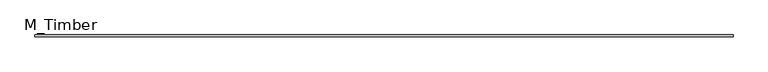
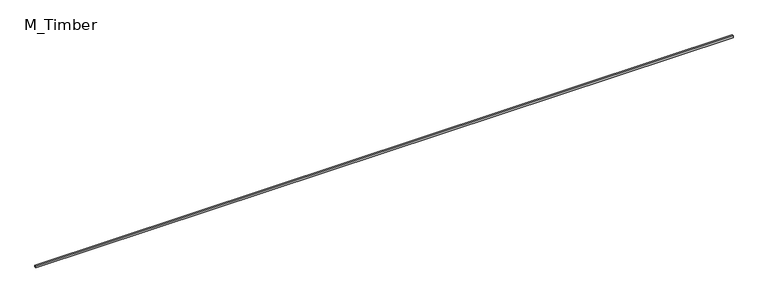
"""IFC4 building model written with IfcOpenShell, lengths in millimetres: beam geometry, M_Timber."""

from ifc_helpers import new_model, si_unit, frame, origin, place, context, project, spatial, polyline, outline, extrude, source, transform, mapped, element, save


def m_timber_c310e8f4(model_context):
    return source(origin(), model_context, "Body", "SweptSolid", [
        extrude(outline(polyline([(7808.0804641, 20.0), (7808.0804641, -20.0), (-7808.0804641, -20.0), (-7808.0804641, 20.0), (7808.0804641, 20.0)])), frame((0.0, 0.0, -20.0), z_axis=(0.0, 0.0, 1.0), x_axis=(1.0, 0.0, 0.0)), (0.0, 0.0, 1.0), 40.0),
    ])


if __name__ == "__main__":
    model = new_model("IFC4")
    model_context = context("Model", 3, world=origin())
    ifc_project = project(units=[si_unit("LENGTHUNIT", "METRE", prefix="MILLI")], contexts=[model_context])
    site = spatial("IfcSite", under=ifc_project)
    building = spatial("IfcBuilding", under=site)
    placement = place(None, origin())
    m_timber_shape = m_timber_c310e8f4(model_context)
    element("IfcBeam", 1, ObjectType="M_Timber", at=placement, inside=building, context=model_context, shape_type="MappedRepresentation", body=[
        mapped(m_timber_shape, transform((0.0, 0.0, 0.0), x_axis=(1.0, 0.0, 0.0), y_axis=(0.0, 1.0, 0.0), z_axis=(0.0, 0.0, 1.0))),
    ])
    save(model, "model.ifc")
